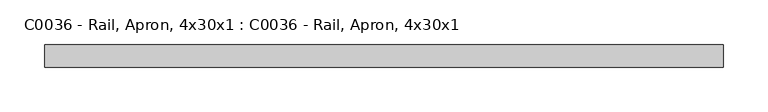
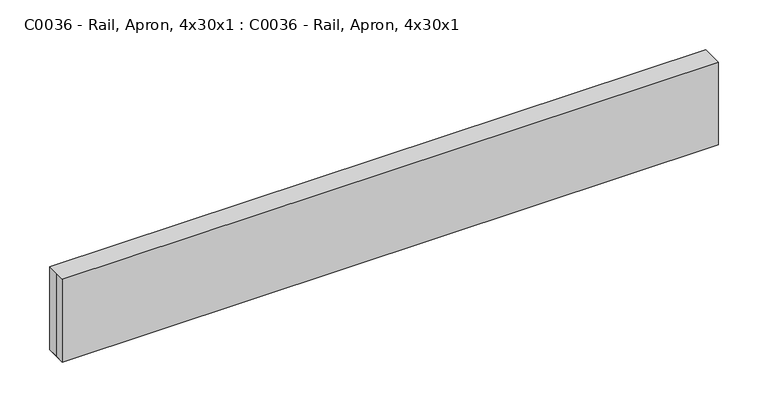
"""IFC4 building model written with IfcOpenShell, lengths in millimetres: proxy geometry, C0036 - Rail, Apron, 4x30x1 : C0036 - Rail, Apron, 4x30x1."""

from ifc_helpers import new_model, si_unit, origin, origin_with_axes, place, context, project, spatial, polyline, outline, extrude, source, transform, mapped, element, save


def c0036_rail_apron_4x30x1_c0036_rail_apron_4x30x1_eb682448(model_context):
    return source(origin(), model_context, "Body", "SweptSolid", [
        extrude(outline(polyline([(-381.0, 12.7), (381.0, 12.7), (381.0, -12.7), (-381.0, -12.7), (-381.0, 0.0), (-381.0, 12.7)])), origin_with_axes(), (0.0, 0.0, 1.0), 101.6),
        extrude(outline(polyline([(381.0, -12.7), (-381.0, -12.7), (-381.0, 12.7), (381.0, 12.7), (381.0, -12.7)])), origin_with_axes(), (0.0, 0.0, 1.0), 101.6),
    ])


if __name__ == "__main__":
    model = new_model("IFC4")
    model_context = context("Model", 3, world=origin())
    ifc_project = project(units=[si_unit("LENGTHUNIT", "METRE", prefix="MILLI")], contexts=[model_context])
    site = spatial("IfcSite", under=ifc_project)
    building = spatial("IfcBuilding", under=site)
    placement = place(None, origin())
    c0036_rail_apron_4x30x1_c0036_rail_apron_4x30x1_shape = c0036_rail_apron_4x30x1_c0036_rail_apron_4x30x1_eb682448(model_context)
    element("IfcBuildingElementProxy", 1, Name="C0036 - Rail, Apron, 4x30x1 : C0036 - Rail, Apron, 4x30x1", ObjectType="C0036 - Rail, Apron, 4x30x1 : C0036 - Rail, Apron, 4x30x1", at=placement, inside=building, context=model_context, shape_type="MappedRepresentation", body=[
        mapped(c0036_rail_apron_4x30x1_c0036_rail_apron_4x30x1_shape, transform((0.0, 0.0, 0.0), x_axis=(1.0, 0.0, 0.0), y_axis=(0.0, 1.0, 0.0), z_axis=(0.0, 0.0, 1.0))),
    ])
    save(model, "model.ifc")
